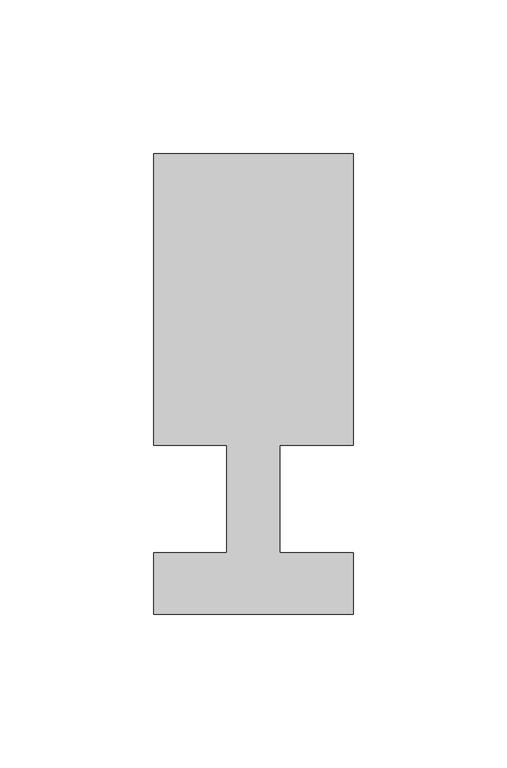
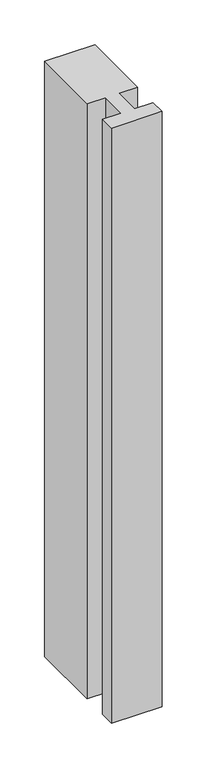
"""IFC4 building model written with IfcOpenShell, lengths in millimetres: member geometry."""

import ifcopenshell
import ifcopenshell.guid

model = None  # the IFC model being written
_history = None  # IfcOwnerHistory: only IFC2X3 demands one
_inside = {}  # id of a spatial element -> (the spatial element, [elements in it])
_under = {}  # id of a project, library or spatial element -> (it, [spatial elements below it])
_declared = {}  # id of a project -> (the project, [libraries it declares])
_typed = {}  # id of a type object -> (the type object, [elements of that type])
_made_of = {}  # id of a material, layer set ... -> (it, [elements and type objects made of it])


def new_model(schema):
    """Start an empty IFC model of exactly this schema.

    Asked for "IFC4X3", IfcOpenShell would pick the latest addendum, in which some entities
    have other attributes; the version numbers below select the first issue.
    IFC2X3 requires an IfcOwnerHistory on every rooted entity: one is made here for all.
    """
    global model, _history
    if schema == "IFC4X3":
        model = ifcopenshell.file(schema_version=(4, 3, 0, 0))
    else:
        model = ifcopenshell.file(schema=schema)
    _inside.clear()
    _under.clear()
    _declared.clear()
    _typed.clear()
    _made_of.clear()
    _history = None
    if model.schema == "IFC2X3":
        org = make("IfcOrganization", Name="unknown")
        user = make(
            "IfcPersonAndOrganization",
            ThePerson=make("IfcPerson", FamilyName="unknown"),
            TheOrganization=org,
        )
        app = make(
            "IfcApplication",
            ApplicationDeveloper=org,
            Version="unknown",
            ApplicationFullName="unknown",
            ApplicationIdentifier="unknown",
        )
        _history = make(
            "IfcOwnerHistory",
            OwningUser=user,
            OwningApplication=app,
            ChangeAction="ADDED",
            CreationDate=0,
        )
    return model


def make(cls, **values):
    """One entity of the class cls with the attributes given. An attribute that is None is left unset."""
    return model.create_entity(
        cls, **{name: value for name, value in values.items() if value is not None}
    )


def rooted(cls, **values):
    """An entity with a GlobalId (a new one), such as an element, a storey or a relation."""
    return make(cls, GlobalId=ifcopenshell.guid.new(), OwnerHistory=_history, **values)


def si_unit(unit_type, name, prefix=None):
    """IfcSIUnit, for example si_unit("LENGTHUNIT", "METRE", prefix="MILLI")."""
    return make("IfcSIUnit", UnitType=unit_type, Prefix=prefix, Name=name)


def assignment(units):
    """IfcUnitAssignment: the units of a project."""
    return None if units is None else make("IfcUnitAssignment", Units=units)


def point(xyz):
    """IfcCartesianPoint."""
    return None if xyz is None else make("IfcCartesianPoint", Coordinates=xyz)


def direction(xyz):
    """IfcDirection."""
    return None if xyz is None else make("IfcDirection", DirectionRatios=xyz)


def frame(location, z_axis=None, x_axis=None):
    """IfcAxis2Placement3D, a coordinate frame: its origin and axes. An axis left out is left unset."""
    return make(
        "IfcAxis2Placement3D",
        Location=point(location),
        Axis=direction(z_axis),
        RefDirection=direction(x_axis),
    )


def origin():
    """The frame at (0, 0, 0) with its axes left unset."""
    return frame((0.0, 0.0, 0.0))


def place(relative_to, where):
    """IfcLocalPlacement: puts the frame where relative to a parent placement (None: the world)."""
    return make(
        "IfcLocalPlacement", PlacementRelTo=relative_to, RelativePlacement=where
    )


def context(
    kind, dimensions, precision=None, world=None, true_north=None, identifier=None
):
    """IfcGeometricRepresentationContext, for example the 3D "Model" context."""
    return make(
        "IfcGeometricRepresentationContext",
        ContextIdentifier=identifier,
        ContextType=kind,
        CoordinateSpaceDimension=dimensions,
        Precision=precision,
        WorldCoordinateSystem=world,
        TrueNorth=true_north,
    )


def project(units=None, contexts=None):
    """IfcProject with its units and contexts."""
    return rooted(
        "IfcProject",
        Name="project",
        RepresentationContexts=contexts,
        UnitsInContext=assignment(units),
    )


def spatial(cls, under=None, at=None, **own):
    """A site, building, storey or space (cls), placed at a placement, below another one or the project."""
    s = rooted(cls, ObjectPlacement=at, **own)
    if under is not None:
        _under.setdefault(under.id(), (under, []))[1].append(s)
    return s


def polyline(points):
    """IfcPolyline through the points."""
    return make("IfcPolyline", Points=[point(p) for p in points])


def outline(outer, holes=None, kind="AREA"):
    """IfcArbitraryClosedProfileDef: a profile drawn as a closed curve; with holes, ...WithVoids."""
    if holes is None:
        return make("IfcArbitraryClosedProfileDef", ProfileType=kind, OuterCurve=outer)
    return make(
        "IfcArbitraryProfileDefWithVoids",
        ProfileType=kind,
        OuterCurve=outer,
        InnerCurves=holes,
    )


def extrude(swept, where, along, depth):
    """IfcExtrudedAreaSolid: the profile swept, set in the frame where, extruded along a direction by depth."""
    return make(
        "IfcExtrudedAreaSolid",
        SweptArea=swept,
        Position=where,
        ExtrudedDirection=direction(along),
        Depth=depth,
    )


def shape(context_of_items, identifier, shape_type, items):
    """IfcShapeRepresentation: the items that make up one representation, for example the "Body"."""
    return make(
        "IfcShapeRepresentation",
        ContextOfItems=context_of_items,
        RepresentationIdentifier=identifier,
        RepresentationType=shape_type,
        Items=items,
    )


def source(mapping_origin, context_of_items, identifier, shape_type, items):
    """IfcRepresentationMap: a shape defined once, which mapped items show again and again."""
    return make(
        "IfcRepresentationMap",
        MappingOrigin=mapping_origin,
        MappedRepresentation=shape(context_of_items, identifier, shape_type, items),
    )


def transform(
    local_origin,
    x_axis=None,
    y_axis=None,
    z_axis=None,
    scale=None,
    scale2=None,
    scale3=None,
    uniform=True,
):
    """IfcCartesianTransformationOperator3D, or its non-uniform kind. x_axis, y_axis, z_axis: its Axis1, 2, 3."""
    if uniform:
        return make(
            "IfcCartesianTransformationOperator3D",
            Axis1=direction(x_axis),
            Axis2=direction(y_axis),
            LocalOrigin=point(local_origin),
            Scale=scale,
            Axis3=direction(z_axis),
        )
    return make(
        "IfcCartesianTransformationOperator3DnonUniform",
        Axis1=direction(x_axis),
        Axis2=direction(y_axis),
        LocalOrigin=point(local_origin),
        Scale=scale,
        Axis3=direction(z_axis),
        Scale2=scale2,
        Scale3=scale3,
    )


def mapped(mapping_source, mapping_target):
    """IfcMappedItem: shows the shape of a source again, moved by a transform."""
    return make(
        "IfcMappedItem", MappingSource=mapping_source, MappingTarget=mapping_target
    )


def made_of(thing, what):
    """Note that an element or type object is made of a material, layer set ...; save() writes the relation."""
    if what is not None:
        _made_of.setdefault(what.id(), (what, []))[1].append(thing)
    return thing


def element(
    cls,
    number,
    at=None,
    inside=None,
    cuts=None,
    type_object=None,
    material=None,
    context=None,
    identifier="Body",
    shape_type=None,
    held_by="IfcProductDefinitionShape",
    body=None,
    shapes=None,
    **own,
):
    """One element of the class cls, such as IfcWall. Its Tag is "e" and its number.

    at: its placement. inside: the storey or other place that contains it. cuts: it is an
    opening in that element (IfcRelVoidsElement). A single representation is given by context,
    identifier, shape_type and body (its items); several are given by shapes. held_by: the class
    of the entity that holds the representations. save() writes the other relations.
    """
    e = rooted(cls, Tag="e%d" % number, ObjectPlacement=at, **own)
    if body is not None:
        shapes = [shape(context, identifier, shape_type, body)]
    if shapes is not None:
        e.Representation = make(held_by, Representations=shapes)
    if inside is not None:
        _inside.setdefault(inside.id(), (inside, []))[1].append(e)
    if cuts is not None:
        rooted(
            "IfcRelVoidsElement", RelatingBuildingElement=cuts, RelatedOpeningElement=e
        )
    if type_object is not None:
        _typed.setdefault(type_object.id(), (type_object, []))[1].append(e)
    return made_of(e, material)


def aggregate(whole, parts):
    """IfcRelAggregates: a whole, such as a stair, and the parts it consists of."""
    return rooted("IfcRelAggregates", RelatingObject=whole, RelatedObjects=parts)


def save(model, path):
    """Write the relations noted so far, then the file.

    IfcRelAggregates (storeys below a building ...), IfcRelContainedInSpatialStructure (elements
    in a storey), IfcRelDefinesByType, IfcRelAssociatesMaterial and IfcRelDeclares: one each for
    every whole, place, type object, material and project.
    """
    for whole, parts in _under.values():
        aggregate(whole, parts)
    for where, things in _inside.values():
        rooted(
            "IfcRelContainedInSpatialStructure",
            RelatedElements=things,
            RelatingStructure=where,
        )
    for kind, things in _typed.values():
        rooted("IfcRelDefinesByType", RelatedObjects=things, RelatingType=kind)
    for what, things in _made_of.values():
        rooted("IfcRelAssociatesMaterial", RelatedObjects=things, RelatingMaterial=what)
    for by, libraries in _declared.values():
        rooted("IfcRelDeclares", RelatingContext=by, RelatedDefinitions=libraries)
    model.write(path)


def member_a291f9cb(model_context):
    return source(origin(), model_context, "Body", "SweptSolid", [
        extrude(outline(polyline([(0.0, -37.0), (-65.0, -37.0), (-65.0, -17.0), (-41.1875, -17.0), (-41.1875, 18.0), (-65.0, 18.0), (-65.0, 113.0), (0.0, 113.0), (0.0, 18.0), (-23.8125, 18.0), (-23.8125, -17.0), (0.0, -17.0), (0.0, -37.0)])), frame((0.0, 0.0, -811.5651835), z_axis=(0.0, 0.0, 1.0), x_axis=(1.0, 0.0, 0.0)), (0.0, 0.0, 1.0), 811.5651835),
    ])


if __name__ == "__main__":
    model = new_model("IFC4")
    model_context = context("Model", 3, world=origin())
    ifc_project = project(units=[si_unit("LENGTHUNIT", "METRE", prefix="MILLI")], contexts=[model_context])
    site = spatial("IfcSite", under=ifc_project)
    building = spatial("IfcBuilding", under=site)
    placement = place(None, origin())
    member_shape = member_a291f9cb(model_context)
    element("IfcMember", 1, at=placement, inside=building, context=model_context, shape_type="MappedRepresentation", body=[
        mapped(member_shape, transform((0.0, 0.0, 0.0), x_axis=(1.0, 0.0, 0.0), y_axis=(0.0, 1.0, 0.0), z_axis=(0.0, 0.0, 1.0))),
    ])
    save(model, "model.ifc")
